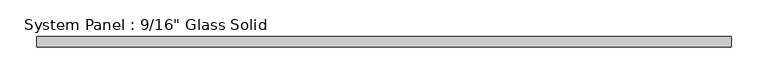
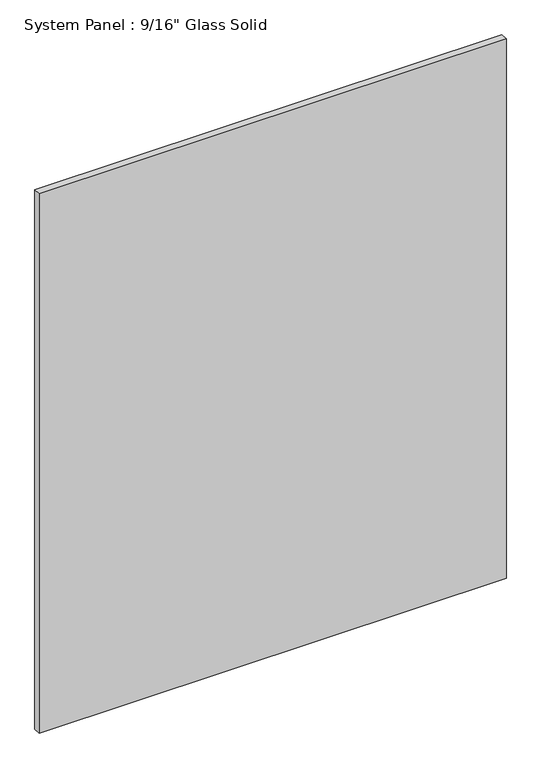
"""IFC4 building model written with IfcOpenShell, lengths in millimetres: plate geometry."""

from ifc_helpers import new_model, si_unit, origin, origin_with_axes, place, context, project, spatial, polyline, outline, extrude, source, transform, mapped, element, save


def plate_4e260d57(model_context):
    return source(origin(), model_context, "Body", "SweptSolid", [
        extrude(outline(polyline([(470.4805865, -7.14375), (-470.4805865, -7.14375), (-470.4805865, 7.14375), (470.4805865, 7.14375), (470.4805865, -7.14375)])), origin_with_axes(), (0.0, 0.0, 1.0), 1147.3344027),
    ])


if __name__ == "__main__":
    model = new_model("IFC4")
    model_context = context("Model", 3, world=origin())
    ifc_project = project(units=[si_unit("LENGTHUNIT", "METRE", prefix="MILLI")], contexts=[model_context])
    site = spatial("IfcSite", under=ifc_project)
    building = spatial("IfcBuilding", under=site)
    placement = place(None, origin())
    plate_shape = plate_4e260d57(model_context)
    element("IfcPlate", 1, ObjectType="System Panel : 9/16\" Glass Solid", at=placement, inside=building, context=model_context, shape_type="MappedRepresentation", body=[
        mapped(plate_shape, transform((0.0, 0.0, 0.0), x_axis=(1.0, 0.0, 0.0), y_axis=(0.0, 1.0, 0.0), z_axis=(0.0, 0.0, 1.0))),
    ])
    save(model, "model.ifc")
